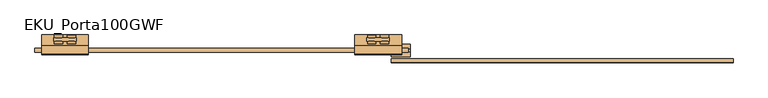
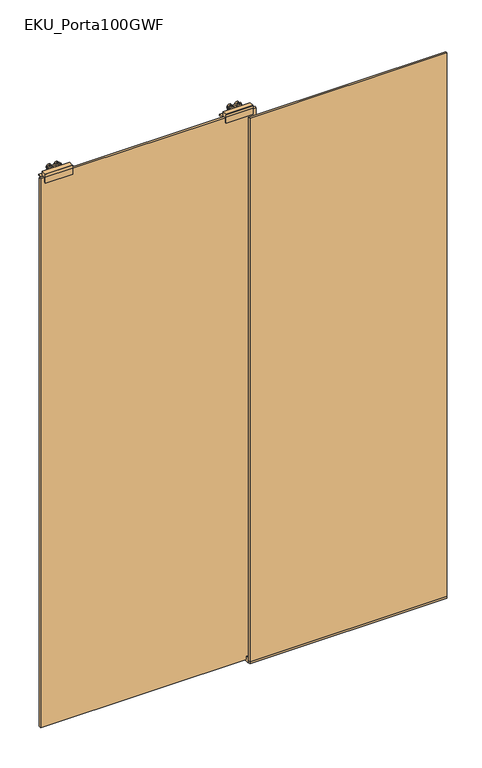
"""IFC4 building model written with IfcOpenShell, lengths in millimetres: door geometry, EKU_Porta100GWF."""

from ifc_helpers import new_model, si_unit, point, frame, frame_2d, origin, place, context, project, spatial, polyline, circle_curve, trimmed, segment, composite_curve, outline, extrude, source, transform, mapped, element, save


def eku_porta100gwf_7b64bf6c(model_context):
    return source(origin(), model_context, "Body", "SweptSolid", [
        extrude(outline(composite_curve([segment(trimmed(circle_curve(frame_2d((2683.9921875, -1562.6562807)), 11.0), [point((2683.9921875, -1551.6562807))], [point((2683.9921875, -1573.6562807))], False, "CARTESIAN"), True, "CONTINUOUS"), segment(trimmed(circle_curve(frame_2d((2683.9921875, -1562.6562807)), 11.0), [point((2683.9921875, -1573.6562807))], [point((2683.9921875, -1551.6562807))], False, "CARTESIAN"), True, "CONTINUOUS")], self_intersect=False)), frame((0.0, 41.2834224, 0.0), z_axis=(0.0, 1.0, 0.0), x_axis=(0.0, 0.0, 1.0)), (0.0, 0.0, 1.0), 6.5829776),
        extrude(outline(composite_curve([segment(trimmed(circle_curve(frame_2d((2683.9993602, -1528.2812807)), 11.0), [point((2683.9993602, -1517.2812807))], [point((2683.9993602, -1539.2812807))], False, "CARTESIAN"), True, "CONTINUOUS"), segment(trimmed(circle_curve(frame_2d((2683.9993602, -1528.2812807)), 11.0), [point((2683.9993602, -1539.2812807))], [point((2683.9993602, -1517.2812807))], False, "CARTESIAN"), True, "CONTINUOUS")], self_intersect=False)), frame((0.0, 24.1599588, 0.0), z_axis=(0.0, 1.0, 0.0), x_axis=(0.0, 0.0, 1.0)), (0.0, 0.0, 1.0), 7.0269907),
        extrude(outline(composite_curve([segment(trimmed(circle_curve(frame_2d((2683.9921875, -1528.2812807)), 11.0), [point((2683.9921875, -1517.2812807))], [point((2683.9921875, -1539.2812807))], False, "CARTESIAN"), True, "CONTINUOUS"), segment(trimmed(circle_curve(frame_2d((2683.9921875, -1528.2812807)), 11.0), [point((2683.9921875, -1539.2812807))], [point((2683.9921875, -1517.2812807))], False, "CARTESIAN"), True, "CONTINUOUS")], self_intersect=False)), frame((0.0, 41.2834224, 0.0), z_axis=(0.0, 1.0, 0.0), x_axis=(0.0, 0.0, 1.0)), (0.0, 0.0, 1.0), 6.9665776),
        extrude(outline(polyline([(-1549.5, 31.1869495), (-1549.5, 41.2834224), (-1541.5, 41.2834224), (-1541.5, 31.1869495), (-1549.5, 31.1869495)])), frame((0.0, 0.0, 2661.0), z_axis=(0.0, 0.0, 1.0), x_axis=(1.0, 0.0, 0.0)), (0.0, 0.0, 1.0), 11.9515484),
        extrude(outline(polyline([(-1575.5, 41.2834224), (-1515.5, 41.2834224), (-1515.5, 31.1869495), (-1575.5, 31.1869495), (-1575.5, 41.2834224)])), frame((0.0, 0.0, 2672.9515484), z_axis=(0.0, 0.0, 1.0), x_axis=(1.0, 0.0, 0.0)), (0.0, 0.0, 1.0), 18.2705237),
        extrude(outline(composite_curve([segment(trimmed(circle_curve(frame_2d((2683.9921875, -1562.6562807)), 11.0), [point((2683.9921875, -1551.6562807))], [point((2683.9921875, -1573.6562807))], False, "CARTESIAN"), True, "CONTINUOUS"), segment(trimmed(circle_curve(frame_2d((2683.9921875, -1562.6562807)), 11.0), [point((2683.9921875, -1573.6562807))], [point((2683.9921875, -1551.6562807))], False, "CARTESIAN"), True, "CONTINUOUS")], self_intersect=False)), frame((0.0, 24.1599588, 0.0), z_axis=(0.0, 1.0, 0.0), x_axis=(0.0, 0.0, 1.0)), (0.0, 0.0, 1.0), 7.0269907),
        extrude(outline(composite_curve([segment(trimmed(circle_curve(frame_2d((2683.9921875, -1528.2812807)), 11.0), [point((2683.9921875, -1517.2812807))], [point((2683.9921875, -1539.2812807))], False, "CARTESIAN"), True, "CONTINUOUS"), segment(trimmed(circle_curve(frame_2d((2683.9921875, -1528.2812807)), 11.0), [point((2683.9921875, -1539.2812807))], [point((2683.9921875, -1517.2812807))], False, "CARTESIAN"), True, "CONTINUOUS")], self_intersect=False)), frame((0.0, 41.2834224, 0.0), z_axis=(0.0, 1.0, 0.0), x_axis=(0.0, 0.0, 1.0)), (0.0, 0.0, 1.0), 6.9665776),
        extrude(outline(polyline([(19.25, 2692.0), (19.25, 2661.0), (48.25, 2661.0), (48.25, 2655.0), (19.25, 2655.0), (19.25, 2650.0), (12.25, 2650.0), (12.25, 2672.0), (2.25, 2672.0), (2.25, 2650.0), (-4.75, 2650.0), (-4.75, 2678.0), (-4.75, 2692.0), (-2.442747, 2692.0), (19.25, 2692.0)])), frame((-1607.5, 0.0, 0.0), z_axis=(1.0, 0.0, 0.0), x_axis=(0.0, 1.0, 0.0)), (0.0, 0.0, 1.0), 124.0),
        extrude(outline(composite_curve([segment(trimmed(circle_curve(frame_2d((2683.9921875, -2358.3437193)), 11.0), [point((2683.9921875, -2369.3437193))], [point((2683.9921875, -2347.3437193))], False, "CARTESIAN"), True, "CONTINUOUS"), segment(trimmed(circle_curve(frame_2d((2683.9921875, -2358.3437193)), 11.0), [point((2683.9921875, -2347.3437193))], [point((2683.9921875, -2369.3437193))], False, "CARTESIAN"), True, "CONTINUOUS")], self_intersect=False)), frame((0.0, 41.2834224, 0.0), z_axis=(0.0, 1.0, 0.0), x_axis=(0.0, 0.0, 1.0)), (0.0, 0.0, 1.0), 6.5829776),
        extrude(outline(composite_curve([segment(trimmed(circle_curve(frame_2d((2683.9993602, -2392.7187193)), 11.0), [point((2683.9993602, -2403.7187193))], [point((2683.9993602, -2381.7187193))], False, "CARTESIAN"), True, "CONTINUOUS"), segment(trimmed(circle_curve(frame_2d((2683.9993602, -2392.7187193)), 11.0), [point((2683.9993602, -2381.7187193))], [point((2683.9993602, -2403.7187193))], False, "CARTESIAN"), True, "CONTINUOUS")], self_intersect=False)), frame((0.0, 24.1599588, 0.0), z_axis=(0.0, 1.0, 0.0), x_axis=(0.0, 0.0, 1.0)), (0.0, 0.0, 1.0), 7.0269907),
        extrude(outline(composite_curve([segment(trimmed(circle_curve(frame_2d((2683.9921875, -2392.7187193)), 11.0), [point((2683.9921875, -2403.7187193))], [point((2683.9921875, -2381.7187193))], False, "CARTESIAN"), True, "CONTINUOUS"), segment(trimmed(circle_curve(frame_2d((2683.9921875, -2392.7187193)), 11.0), [point((2683.9921875, -2381.7187193))], [point((2683.9921875, -2403.7187193))], False, "CARTESIAN"), True, "CONTINUOUS")], self_intersect=False)), frame((0.0, 41.2834224, 0.0), z_axis=(0.0, 1.0, 0.0), x_axis=(0.0, 0.0, 1.0)), (0.0, 0.0, 1.0), 6.9665776),
        extrude(outline(polyline([(-2371.5, 31.1869495), (-2379.5, 31.1869495), (-2379.5, 41.2834224), (-2371.5, 41.2834224), (-2371.5, 31.1869495)])), frame((0.0, 0.0, 2661.0), z_axis=(0.0, 0.0, 1.0), x_axis=(1.0, 0.0, 0.0)), (0.0, 0.0, 1.0), 11.9515484),
        extrude(outline(polyline([(-2345.5, 41.2834224), (-2345.5, 31.1869495), (-2405.5, 31.1869495), (-2405.5, 41.2834224), (-2345.5, 41.2834224)])), frame((0.0, 0.0, 2672.9515484), z_axis=(0.0, 0.0, 1.0), x_axis=(1.0, 0.0, 0.0)), (0.0, 0.0, 1.0), 18.2705237),
        extrude(outline(composite_curve([segment(trimmed(circle_curve(frame_2d((2683.9921875, -2358.3437193)), 11.0), [point((2683.9921875, -2369.3437193))], [point((2683.9921875, -2347.3437193))], False, "CARTESIAN"), True, "CONTINUOUS"), segment(trimmed(circle_curve(frame_2d((2683.9921875, -2358.3437193)), 11.0), [point((2683.9921875, -2347.3437193))], [point((2683.9921875, -2369.3437193))], False, "CARTESIAN"), True, "CONTINUOUS")], self_intersect=False)), frame((0.0, 24.1599588, 0.0), z_axis=(0.0, 1.0, 0.0), x_axis=(0.0, 0.0, 1.0)), (0.0, 0.0, 1.0), 7.0269907),
        extrude(outline(composite_curve([segment(trimmed(circle_curve(frame_2d((2683.9921875, -2392.7187193)), 11.0), [point((2683.9921875, -2403.7187193))], [point((2683.9921875, -2381.7187193))], False, "CARTESIAN"), True, "CONTINUOUS"), segment(trimmed(circle_curve(frame_2d((2683.9921875, -2392.7187193)), 11.0), [point((2683.9921875, -2381.7187193))], [point((2683.9921875, -2403.7187193))], False, "CARTESIAN"), True, "CONTINUOUS")], self_intersect=False)), frame((0.0, 41.2834224, 0.0), z_axis=(0.0, 1.0, 0.0), x_axis=(0.0, 0.0, 1.0)), (0.0, 0.0, 1.0), 6.9665776),
        extrude(outline(polyline([(19.25, 2692.0), (19.25, 2661.0), (48.25, 2661.0), (48.25, 2655.0), (19.25, 2655.0), (19.25, 2650.0), (12.25, 2650.0), (12.25, 2672.0), (2.25, 2672.0), (2.25, 2650.0), (-4.75, 2650.0), (-4.75, 2678.0), (-4.75, 2692.0), (-2.442747, 2692.0), (19.25, 2692.0)])), frame((-2437.5, 0.0, 0.0), z_axis=(1.0, 0.0, 0.0), x_axis=(0.0, 1.0, 0.0)), (0.0, 0.0, 1.0), 124.0),
        extrude(outline(polyline([(-604.5, -24.84375), (-1510.5, -24.84375), (-1510.5, -14.84375), (-604.5, -14.84375), (-604.5, -24.84375)])), frame((0.0, 0.0, 15.0), z_axis=(0.0, 0.0, 1.0), x_axis=(1.0, 0.0, 0.0)), (0.0, 0.0, 1.0), 2637.0),
        extrude(outline(polyline([(-2455.5, 12.25), (-1465.5, 12.25), (-1465.5, 2.25), (-2455.5, 2.25), (-2455.5, 12.25)])), frame((0.0, 0.0, 10.0), z_axis=(0.0, 0.0, 1.0), x_axis=(1.0, 0.0, 0.0)), (0.0, 0.0, 1.0), 2662.0),
        extrude(outline(polyline([(-9.25, 26.0), (2.25, 26.0), (2.25, 10.0), (12.25, 10.0), (12.25, 26.0), (23.3162943, 26.0), (23.3162943, 0.0), (-9.25, 0.0), (-9.25, 26.0)])), frame((-1510.5, 0.0, 0.0), z_axis=(1.0, 0.0, 0.0), x_axis=(0.0, 1.0, 0.0)), (0.0, 0.0, 1.0), 50.4100933),
        extrude(outline(polyline([(-604.5, -24.84375), (-1510.5, -24.84375), (-1510.5, -14.84375), (-604.5, -14.84375), (-604.5, -24.84375)])), frame((0.0, 0.0, 5.0), z_axis=(0.0, 0.0, 1.0), x_axis=(1.0, 0.0, 0.0)), (0.0, 0.0, 1.0), 10.0),
    ])


if __name__ == "__main__":
    model = new_model("IFC4")
    model_context = context("Model", 3, world=origin())
    ifc_project = project(units=[si_unit("LENGTHUNIT", "METRE", prefix="MILLI")], contexts=[model_context])
    site = spatial("IfcSite", under=ifc_project)
    building = spatial("IfcBuilding", under=site)
    placement = place(None, origin())
    eku_porta100gwf_shape = eku_porta100gwf_7b64bf6c(model_context)
    element("IfcDoor", 1, ObjectType="EKU_Porta100GWF", at=placement, inside=building, context=model_context, shape_type="MappedRepresentation", body=[
        mapped(eku_porta100gwf_shape, transform((0.0, 0.0, 0.0), x_axis=(1.0, 0.0, 0.0), y_axis=(0.0, 1.0, 0.0), z_axis=(0.0, 0.0, 1.0))),
    ])
    save(model, "model.ifc")
